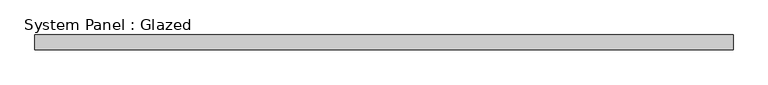
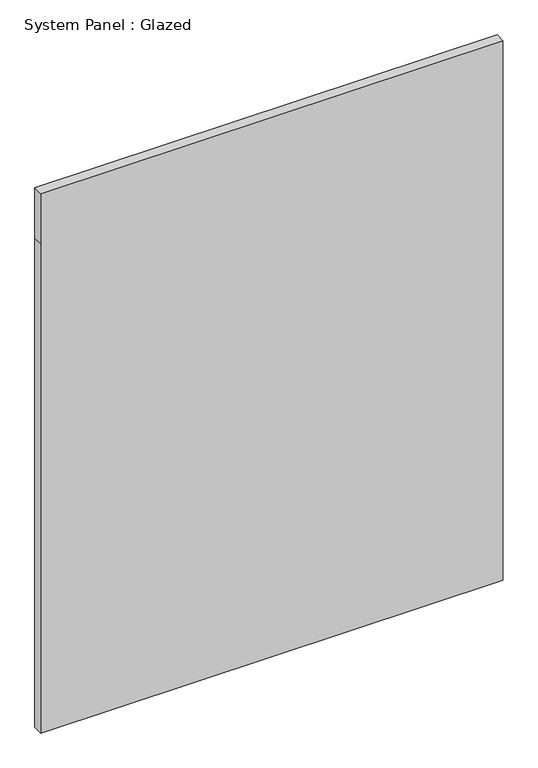
"""IFC4 building model written with IfcOpenShell, lengths in millimetres: plate geometry, System Panel : Glazed."""

from ifc_helpers import new_model, si_unit, frame, origin, place, context, project, spatial, polyline, outline, extrude, source, transform, mapped, element, save


def system_panel_glazed_768f07a9(model_context):
    return source(origin(), model_context, "Body", "SweptSolid", [
        extrude(outline(polyline([(0.0, -587.5), (0.0, 587.5), (1315.0, 587.5), (1450.0, 587.5), (1450.0, -587.5), (1315.0, -587.5), (0.0, -587.5)])), frame((0.0, 24.5, 0.0), z_axis=(0.0, 1.0, 0.0), x_axis=(0.0, 0.0, 1.0)), (0.0, 0.0, 1.0), 25.0),
    ])


if __name__ == "__main__":
    model = new_model("IFC4")
    model_context = context("Model", 3, world=origin())
    ifc_project = project(units=[si_unit("LENGTHUNIT", "METRE", prefix="MILLI")], contexts=[model_context])
    site = spatial("IfcSite", under=ifc_project)
    building = spatial("IfcBuilding", under=site)
    placement = place(None, origin())
    system_panel_glazed_shape = system_panel_glazed_768f07a9(model_context)
    element("IfcPlate", 1, ObjectType="System Panel : Glazed", at=placement, inside=building, context=model_context, shape_type="MappedRepresentation", body=[
        mapped(system_panel_glazed_shape, transform((0.0, 0.0, 0.0), x_axis=(1.0, 0.0, 0.0), y_axis=(0.0, 1.0, 0.0), z_axis=(0.0, 0.0, 1.0))),
    ])
    save(model, "model.ifc")
